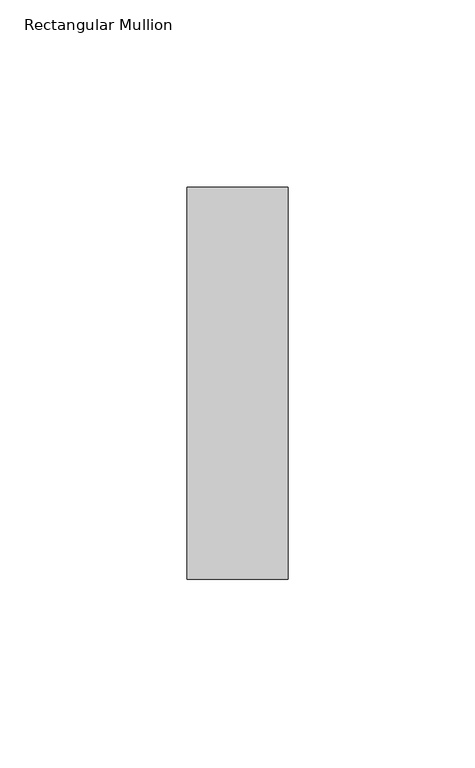
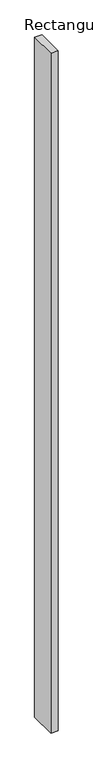
"""IFC4 building model written with IfcOpenShell, lengths in millimetres: member geometry, Rectangular Mullion."""

import ifcopenshell
import ifcopenshell.guid

model = None  # the IFC model being written
_history = None  # IfcOwnerHistory: only IFC2X3 demands one
_inside = {}  # id of a spatial element -> (the spatial element, [elements in it])
_under = {}  # id of a project, library or spatial element -> (it, [spatial elements below it])
_declared = {}  # id of a project -> (the project, [libraries it declares])
_typed = {}  # id of a type object -> (the type object, [elements of that type])
_made_of = {}  # id of a material, layer set ... -> (it, [elements and type objects made of it])


def new_model(schema):
    """Start an empty IFC model of exactly this schema.

    Asked for "IFC4X3", IfcOpenShell would pick the latest addendum, in which some entities
    have other attributes; the version numbers below select the first issue.
    IFC2X3 requires an IfcOwnerHistory on every rooted entity: one is made here for all.
    """
    global model, _history
    if schema == "IFC4X3":
        model = ifcopenshell.file(schema_version=(4, 3, 0, 0))
    else:
        model = ifcopenshell.file(schema=schema)
    _inside.clear()
    _under.clear()
    _declared.clear()
    _typed.clear()
    _made_of.clear()
    _history = None
    if model.schema == "IFC2X3":
        org = make("IfcOrganization", Name="unknown")
        user = make(
            "IfcPersonAndOrganization",
            ThePerson=make("IfcPerson", FamilyName="unknown"),
            TheOrganization=org,
        )
        app = make(
            "IfcApplication",
            ApplicationDeveloper=org,
            Version="unknown",
            ApplicationFullName="unknown",
            ApplicationIdentifier="unknown",
        )
        _history = make(
            "IfcOwnerHistory",
            OwningUser=user,
            OwningApplication=app,
            ChangeAction="ADDED",
            CreationDate=0,
        )
    return model


def make(cls, **values):
    """One entity of the class cls with the attributes given. An attribute that is None is left unset."""
    return model.create_entity(
        cls, **{name: value for name, value in values.items() if value is not None}
    )


def rooted(cls, **values):
    """An entity with a GlobalId (a new one), such as an element, a storey or a relation."""
    return make(cls, GlobalId=ifcopenshell.guid.new(), OwnerHistory=_history, **values)


def si_unit(unit_type, name, prefix=None):
    """IfcSIUnit, for example si_unit("LENGTHUNIT", "METRE", prefix="MILLI")."""
    return make("IfcSIUnit", UnitType=unit_type, Prefix=prefix, Name=name)


def assignment(units):
    """IfcUnitAssignment: the units of a project."""
    return None if units is None else make("IfcUnitAssignment", Units=units)


def point(xyz):
    """IfcCartesianPoint."""
    return None if xyz is None else make("IfcCartesianPoint", Coordinates=xyz)


def direction(xyz):
    """IfcDirection."""
    return None if xyz is None else make("IfcDirection", DirectionRatios=xyz)


def frame(location, z_axis=None, x_axis=None):
    """IfcAxis2Placement3D, a coordinate frame: its origin and axes. An axis left out is left unset."""
    return make(
        "IfcAxis2Placement3D",
        Location=point(location),
        Axis=direction(z_axis),
        RefDirection=direction(x_axis),
    )


def origin():
    """The frame at (0, 0, 0) with its axes left unset."""
    return frame((0.0, 0.0, 0.0))


def place(relative_to, where):
    """IfcLocalPlacement: puts the frame where relative to a parent placement (None: the world)."""
    return make(
        "IfcLocalPlacement", PlacementRelTo=relative_to, RelativePlacement=where
    )


def context(
    kind, dimensions, precision=None, world=None, true_north=None, identifier=None
):
    """IfcGeometricRepresentationContext, for example the 3D "Model" context."""
    return make(
        "IfcGeometricRepresentationContext",
        ContextIdentifier=identifier,
        ContextType=kind,
        CoordinateSpaceDimension=dimensions,
        Precision=precision,
        WorldCoordinateSystem=world,
        TrueNorth=true_north,
    )


def project(units=None, contexts=None):
    """IfcProject with its units and contexts."""
    return rooted(
        "IfcProject",
        Name="project",
        RepresentationContexts=contexts,
        UnitsInContext=assignment(units),
    )


def spatial(cls, under=None, at=None, **own):
    """A site, building, storey or space (cls), placed at a placement, below another one or the project."""
    s = rooted(cls, ObjectPlacement=at, **own)
    if under is not None:
        _under.setdefault(under.id(), (under, []))[1].append(s)
    return s


def polyline(points):
    """IfcPolyline through the points."""
    return make("IfcPolyline", Points=[point(p) for p in points])


def outline(outer, holes=None, kind="AREA"):
    """IfcArbitraryClosedProfileDef: a profile drawn as a closed curve; with holes, ...WithVoids."""
    if holes is None:
        return make("IfcArbitraryClosedProfileDef", ProfileType=kind, OuterCurve=outer)
    return make(
        "IfcArbitraryProfileDefWithVoids",
        ProfileType=kind,
        OuterCurve=outer,
        InnerCurves=holes,
    )


def extrude(swept, where, along, depth):
    """IfcExtrudedAreaSolid: the profile swept, set in the frame where, extruded along a direction by depth."""
    return make(
        "IfcExtrudedAreaSolid",
        SweptArea=swept,
        Position=where,
        ExtrudedDirection=direction(along),
        Depth=depth,
    )


def shape(context_of_items, identifier, shape_type, items):
    """IfcShapeRepresentation: the items that make up one representation, for example the "Body"."""
    return make(
        "IfcShapeRepresentation",
        ContextOfItems=context_of_items,
        RepresentationIdentifier=identifier,
        RepresentationType=shape_type,
        Items=items,
    )


def source(mapping_origin, context_of_items, identifier, shape_type, items):
    """IfcRepresentationMap: a shape defined once, which mapped items show again and again."""
    return make(
        "IfcRepresentationMap",
        MappingOrigin=mapping_origin,
        MappedRepresentation=shape(context_of_items, identifier, shape_type, items),
    )


def transform(
    local_origin,
    x_axis=None,
    y_axis=None,
    z_axis=None,
    scale=None,
    scale2=None,
    scale3=None,
    uniform=True,
):
    """IfcCartesianTransformationOperator3D, or its non-uniform kind. x_axis, y_axis, z_axis: its Axis1, 2, 3."""
    if uniform:
        return make(
            "IfcCartesianTransformationOperator3D",
            Axis1=direction(x_axis),
            Axis2=direction(y_axis),
            LocalOrigin=point(local_origin),
            Scale=scale,
            Axis3=direction(z_axis),
        )
    return make(
        "IfcCartesianTransformationOperator3DnonUniform",
        Axis1=direction(x_axis),
        Axis2=direction(y_axis),
        LocalOrigin=point(local_origin),
        Scale=scale,
        Axis3=direction(z_axis),
        Scale2=scale2,
        Scale3=scale3,
    )


def mapped(mapping_source, mapping_target):
    """IfcMappedItem: shows the shape of a source again, moved by a transform."""
    return make(
        "IfcMappedItem", MappingSource=mapping_source, MappingTarget=mapping_target
    )


def made_of(thing, what):
    """Note that an element or type object is made of a material, layer set ...; save() writes the relation."""
    if what is not None:
        _made_of.setdefault(what.id(), (what, []))[1].append(thing)
    return thing


def element(
    cls,
    number,
    at=None,
    inside=None,
    cuts=None,
    type_object=None,
    material=None,
    context=None,
    identifier="Body",
    shape_type=None,
    held_by="IfcProductDefinitionShape",
    body=None,
    shapes=None,
    **own,
):
    """One element of the class cls, such as IfcWall. Its Tag is "e" and its number.

    at: its placement. inside: the storey or other place that contains it. cuts: it is an
    opening in that element (IfcRelVoidsElement). A single representation is given by context,
    identifier, shape_type and body (its items); several are given by shapes. held_by: the class
    of the entity that holds the representations. save() writes the other relations.
    """
    e = rooted(cls, Tag="e%d" % number, ObjectPlacement=at, **own)
    if body is not None:
        shapes = [shape(context, identifier, shape_type, body)]
    if shapes is not None:
        e.Representation = make(held_by, Representations=shapes)
    if inside is not None:
        _inside.setdefault(inside.id(), (inside, []))[1].append(e)
    if cuts is not None:
        rooted(
            "IfcRelVoidsElement", RelatingBuildingElement=cuts, RelatedOpeningElement=e
        )
    if type_object is not None:
        _typed.setdefault(type_object.id(), (type_object, []))[1].append(e)
    return made_of(e, material)


def aggregate(whole, parts):
    """IfcRelAggregates: a whole, such as a stair, and the parts it consists of."""
    return rooted("IfcRelAggregates", RelatingObject=whole, RelatedObjects=parts)


def save(model, path):
    """Write the relations noted so far, then the file.

    IfcRelAggregates (storeys below a building ...), IfcRelContainedInSpatialStructure (elements
    in a storey), IfcRelDefinesByType, IfcRelAssociatesMaterial and IfcRelDeclares: one each for
    every whole, place, type object, material and project.
    """
    for whole, parts in _under.values():
        aggregate(whole, parts)
    for where, things in _inside.values():
        rooted(
            "IfcRelContainedInSpatialStructure",
            RelatedElements=things,
            RelatingStructure=where,
        )
    for kind, things in _typed.values():
        rooted("IfcRelDefinesByType", RelatedObjects=things, RelatingType=kind)
    for what, things in _made_of.values():
        rooted("IfcRelAssociatesMaterial", RelatedObjects=things, RelatingMaterial=what)
    for by, libraries in _declared.values():
        rooted("IfcRelDeclares", RelatingContext=by, RelatedDefinitions=libraries)
    model.write(path)


def rectangular_mullion_cb4d98cd(model_context):
    return source(origin(), model_context, "Body", "SweptSolid", [
        extrude(outline(polyline([(0.0, 52.3975), (0.0, -52.3975), (-27.0, -52.3975), (-27.0, 52.3975), (0.0, 52.3975)])), frame((0.0, 0.0, -2700.0), z_axis=(0.0, 0.0, 1.0), x_axis=(1.0, 0.0, 0.0)), (0.0, 0.0, 1.0), 2700.0),
    ])


if __name__ == "__main__":
    model = new_model("IFC4")
    model_context = context("Model", 3, world=origin())
    ifc_project = project(units=[si_unit("LENGTHUNIT", "METRE", prefix="MILLI")], contexts=[model_context])
    site = spatial("IfcSite", under=ifc_project)
    building = spatial("IfcBuilding", under=site)
    placement = place(None, origin())
    rectangular_mullion_shape = rectangular_mullion_cb4d98cd(model_context)
    element("IfcMember", 1, ObjectType="Rectangular Mullion", at=placement, inside=building, context=model_context, shape_type="MappedRepresentation", body=[
        mapped(rectangular_mullion_shape, transform((0.0, 0.0, 0.0), x_axis=(1.0, 0.0, 0.0), y_axis=(0.0, 1.0, 0.0), z_axis=(0.0, 0.0, 1.0))),
    ])
    save(model, "model.ifc")
